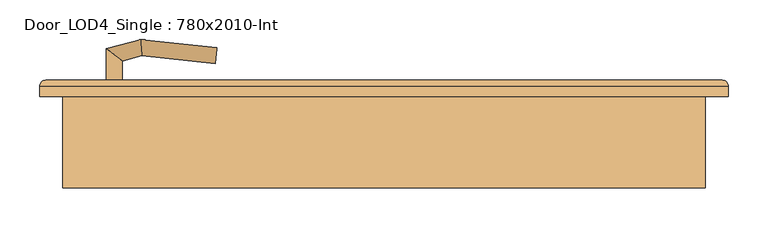
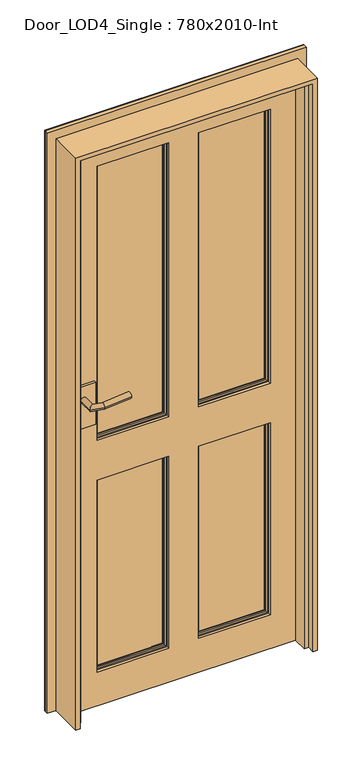
"""IFC4 building model written with IfcOpenShell, lengths in millimetres: door geometry, Door_LOD4_Single : 780x2010-Int."""

from ifc_helpers import new_model, si_unit, frame, origin, place, context, project, spatial, polyline, circle_curve, ellipse_curve, outline, extrude, faceted_brep, source, transform, mapped, element, save
from ifc_brep_helpers import plane_surface, cylinder_surface, advanced_brep


def door_lod4_single_780x2010_int_62c735e9(model_context):
    return source(origin(), model_context, "Body", "SolidModel", [
        advanced_brep(
        [(290.0, 27.5, 120.0), (290.0, 27.5, 800.0), (50.0, 27.5, 800.0), (50.0, 27.5, 120.0), (53.6443449, 27.5, 123.6443449), (53.6443449, 27.5, 796.3556551), (286.3556551, 27.5, 796.3556551), (286.3556551, 27.5, 123.6443449), (290.0, 47.5, 120.0), (50.0, 47.5, 120.0), (50.0, 47.5, 800.0), (290.0, 47.5, 800.0), (53.6443449, 47.5, 796.3556551), (53.6443449, 47.5, 123.6443449), (286.3556551, 47.5, 123.6443449), (286.3556551, 47.5, 796.3556551), (60.5, 39.8125, 789.5), (60.5, 39.8125, 130.5), (60.5, 42.8125, 130.5), (60.5, 42.8125, 789.5), (279.5, 39.8125, 130.5), (279.5, 42.8125, 130.5), (279.5, 39.8125, 789.5), (279.5, 42.8125, 789.5), (55.9375, 42.8125, 125.9375), (55.9375, 42.8125, 794.0625), (284.0625, 42.8125, 794.0625), (284.0625, 42.8125, 125.9375), (60.5, 32.1875, 789.5), (60.5, 32.1875, 130.5), (60.5, 35.1875, 130.5), (60.5, 35.1875, 789.5), (279.5, 32.1875, 130.5), (279.5, 35.1875, 130.5), (279.5, 32.1875, 789.5), (279.5, 35.1875, 789.5), (55.9375, 32.1875, 794.0625), (55.9375, 32.1875, 125.9375), (284.0625, 32.1875, 125.9375), (284.0625, 32.1875, 794.0625)],
        [
            (0, 1),
            (1, 2),
            (2, 3),
            (3, 0),
            (4, 5),
            (5, 6),
            (6, 7),
            (7, 4),
            (8, 9),
            (9, 10),
            (10, 11),
            (11, 8),
            (12, 13),
            (13, 14),
            (14, 15),
            (15, 12),
            (0, 8),
            (11, 1),
            (10, 2),
            (9, 3),
            (16, 17),
            (17, 18),
            (18, 19),
            (19, 16),
            (17, 20),
            (20, 21),
            (21, 18),
            (20, 22),
            (22, 23),
            (23, 21),
            (24, 25),
            (25, 26),
            (26, 27),
            (27, 24),
            (23, 19),
            (22, 16),
            (24, 13, ellipse_curve(frame((50.0, 42.8125, 120.0), z_axis=(-0.7071067811865475, 0.0, 0.7071067811865475), x_axis=(-0.7071067811865474, 0.0, -0.7071067811865476)), 8.396893, 5.9375)),
            (12, 25, ellipse_curve(frame((50.0, 42.8125, 800.0), z_axis=(-0.7071067811865475, 0.0, -0.7071067811865475), x_axis=(0.7071067811865474, 0.0, -0.7071067811865476)), 8.396893, 5.9375)),
            (27, 14, ellipse_curve(frame((290.0, 42.8125, 120.0), z_axis=(-0.7071067811865475, 0.0, -0.7071067811865475), x_axis=(0.7071067811865476, 0.0, -0.7071067811865474)), 8.396893, 5.9375)),
            (26, 15, ellipse_curve(frame((290.0, 42.8125, 800.0), z_axis=(0.7071067811865475, 0.0, -0.7071067811865475), x_axis=(0.7071067811865474, 0.0, 0.7071067811865476)), 8.396893, 5.9375)),
            (28, 29),
            (29, 30),
            (30, 31),
            (31, 28),
            (29, 32),
            (32, 33),
            (33, 30),
            (32, 34),
            (34, 35),
            (35, 33),
            (36, 37),
            (37, 38),
            (38, 39),
            (39, 36),
            (28, 34),
            (31, 35),
            (36, 5, ellipse_curve(frame((50.0, 32.1875, 800.0), z_axis=(-0.7071067811865475, 0.0, -0.7071067811865475), x_axis=(0.7071067811865474, 0.0, -0.7071067811865476)), 8.396893, 5.9375)),
            (4, 37, ellipse_curve(frame((50.0, 32.1875, 120.0), z_axis=(-0.7071067811865475, 0.0, 0.7071067811865475), x_axis=(-0.7071067811865474, 0.0, -0.7071067811865476)), 8.396893, 5.9375)),
            (7, 38, ellipse_curve(frame((290.0, 32.1875, 120.0), z_axis=(-0.7071067811865475, 0.0, -0.7071067811865475), x_axis=(0.7071067811865476, 0.0, -0.7071067811865474)), 8.396893, 5.9375)),
            (6, 39, ellipse_curve(frame((290.0, 32.1875, 800.0), z_axis=(0.7071067811865475, 0.0, -0.7071067811865475), x_axis=(0.7071067811865474, 0.0, 0.7071067811865476)), 8.396893, 5.9375)),
        ],
        [
            plane_surface(frame((290.0, 27.5, 120.0), z_axis=(0.0, -1.0, 0.0), x_axis=(0.0, 0.0, 1.0))),
            plane_surface(frame((290.0, 47.5, 120.0), z_axis=(0.0, 1.0, 0.0), x_axis=(0.0, 0.0, -1.0))),
            plane_surface(frame((290.0, 27.5, 120.0), z_axis=(1.0, 0.0, 0.0), x_axis=(0.0, 1.0, 0.0))),
            plane_surface(frame((290.0, 27.5, 800.0), z_axis=(0.0, 0.0, 1.0), x_axis=(0.0, 1.0, 0.0))),
            plane_surface(frame((50.0, 27.5, 800.0), z_axis=(-1.0, 0.0, 0.0), x_axis=(0.0, 1.0, 0.0))),
            plane_surface(frame((50.0, 27.5, 120.0), z_axis=(0.0, 0.0, -1.0), x_axis=(0.0, 1.0, 0.0))),
            plane_surface(frame((60.5, 42.8125, 789.5), z_axis=(1.0, 0.0, 0.0), x_axis=(0.0, 0.0, -1.0))),
            plane_surface(frame((60.5, 42.8125, 130.5), z_axis=(0.0, 0.0, 1.0), x_axis=(1.0, 0.0, 0.0))),
            plane_surface(frame((279.5, 42.8125, 130.5), z_axis=(-1.0, 0.0, 0.0), x_axis=(0.0, 0.0, 1.0))),
            plane_surface(frame((284.0625, 42.8125, 794.0625), z_axis=(0.0, 1.0, 0.0), x_axis=(-1.0, 0.0, 0.0))),
            plane_surface(frame((279.5, 42.8125, 789.5), z_axis=(0.0, 0.0, -1.0), x_axis=(-1.0, 0.0, 0.0))),
            plane_surface(frame((279.5, 39.8125, 789.5), z_axis=(0.0, 1.0, 0.0), x_axis=(-1.0, 0.0, 0.0))),
            cylinder_surface(frame((50.0, 42.8125, 800.0), z_axis=(0.0, 0.0, -1.0), x_axis=(-1.0, 0.0, 0.0)), 5.9375),
            cylinder_surface(frame((50.0, 42.8125, 120.0), z_axis=(1.0, 0.0, 0.0), x_axis=(0.0, 0.0, -1.0)), 5.9375),
            cylinder_surface(frame((290.0, 42.8125, 120.0), z_axis=(0.0, 0.0, 1.0), x_axis=(1.0, 0.0, 0.0)), 5.9375),
            cylinder_surface(frame((290.0, 42.8125, 800.0), z_axis=(-1.0, 0.0, 0.0), x_axis=(0.0, 0.0, 1.0)), 5.9375),
            plane_surface(frame((60.5, 35.1875, 789.5), z_axis=(1.0, 0.0, 0.0), x_axis=(0.0, 0.0, -1.0))),
            plane_surface(frame((60.5, 35.1875, 130.5), z_axis=(0.0, 0.0, 1.0), x_axis=(1.0, 0.0, 0.0))),
            plane_surface(frame((279.5, 35.1875, 130.5), z_axis=(-1.0, 0.0, 0.0), x_axis=(0.0, 0.0, 1.0))),
            plane_surface(frame((279.5, 32.1875, 789.5), z_axis=(0.0, -1.0, 0.0), x_axis=(-1.0, 0.0, 0.0))),
            plane_surface(frame((279.5, 35.1875, 789.5), z_axis=(0.0, 0.0, -1.0), x_axis=(-1.0, 0.0, 0.0))),
            plane_surface(frame((256.5442476, 35.1875, 766.5442476), z_axis=(0.0, -1.0, 0.0), x_axis=(-1.0, 0.0, 0.0))),
            cylinder_surface(frame((50.0, 32.1875, 800.0), z_axis=(0.0, 0.0, -1.0), x_axis=(1.0, 0.0, 0.0)), 5.9375),
            cylinder_surface(frame((50.0, 32.1875, 120.0), z_axis=(1.0, 0.0, 0.0), x_axis=(0.0, 0.0, 1.0)), 5.9375),
            cylinder_surface(frame((290.0, 32.1875, 120.0), z_axis=(0.0, 0.0, 1.0), x_axis=(-1.0, 0.0, 0.0)), 5.9375),
            cylinder_surface(frame((290.0, 32.1875, 800.0), z_axis=(-1.0, 0.0, 0.0), x_axis=(0.0, 0.0, -1.0)), 5.9375),
        ],
        [
            (0, [[1, 2, 3, 4], [5, 6, 7, 8]]),
            (1, [[9, 10, 11, 12], [13, 14, 15, 16]]),
            (2, [[-1, 17, -12, 18]]),
            (3, [[-2, -18, -11, 19]]),
            (4, [[-3, -19, -10, 20]]),
            (5, [[-4, -20, -9, -17]]),
            (6, [[21, 22, 23, 24]]),
            (7, [[-22, 25, 26, 27]]),
            (8, [[-26, 28, 29, 30]]),
            (9, [[31, 32, 33, 34], [-23, -27, -30, 35]]),
            (10, [[-24, -35, -29, 36]]),
            (11, [[-21, -36, -28, -25]]),
            (12, [[-31, 37, -13, 38]]),
            (13, [[-34, 39, -14, -37]]),
            (14, [[-33, 40, -15, -39]]),
            (15, [[-32, -38, -16, -40]]),
            (16, [[41, 42, 43, 44]]),
            (17, [[-42, 45, 46, 47]]),
            (18, [[-46, 48, 49, 50]]),
            (19, [[51, 52, 53, 54], [-41, 55, -48, -45]]),
            (20, [[-44, 56, -49, -55]]),
            (21, [[-43, -47, -50, -56]]),
            (22, [[-51, 57, -5, 58]]),
            (23, [[-52, -58, -8, 59]]),
            (24, [[-53, -59, -7, 60]]),
            (25, [[-54, -60, -6, -57]]),
        ],
    ),
        advanced_brep(
        [(-50.0, 27.5, 120.0), (-50.0, 27.5, 800.0), (-290.0, 27.5, 800.0), (-290.0, 27.5, 120.0), (-286.3556551, 27.5, 123.6443449), (-286.3556551, 27.5, 796.3556551), (-53.6443449, 27.5, 796.3556551), (-53.6443449, 27.5, 123.6443449), (-50.0, 47.5, 120.0), (-290.0, 47.5, 120.0), (-290.0, 47.5, 800.0), (-50.0, 47.5, 800.0), (-286.3556551, 47.5, 796.3556551), (-286.3556551, 47.5, 123.6443449), (-53.6443449, 47.5, 123.6443449), (-53.6443449, 47.5, 796.3556551), (-279.5, 39.8125, 789.5), (-279.5, 39.8125, 130.5), (-279.5, 42.8125, 130.5), (-279.5, 42.8125, 789.5), (-60.5, 39.8125, 130.5), (-60.5, 42.8125, 130.5), (-60.5, 39.8125, 789.5), (-60.5, 42.8125, 789.5), (-284.0625, 42.8125, 125.9375), (-284.0625, 42.8125, 794.0625), (-55.9375, 42.8125, 794.0625), (-55.9375, 42.8125, 125.9375), (-279.5, 32.1875, 789.5), (-279.5, 32.1875, 130.5), (-279.5, 35.1875, 130.5), (-279.5, 35.1875, 789.5), (-60.5, 32.1875, 130.5), (-60.5, 35.1875, 130.5), (-60.5, 32.1875, 789.5), (-60.5, 35.1875, 789.5), (-284.0625, 32.1875, 794.0625), (-284.0625, 32.1875, 125.9375), (-55.9375, 32.1875, 125.9375), (-55.9375, 32.1875, 794.0625)],
        [
            (0, 1),
            (1, 2),
            (2, 3),
            (3, 0),
            (4, 5),
            (5, 6),
            (6, 7),
            (7, 4),
            (8, 9),
            (9, 10),
            (10, 11),
            (11, 8),
            (12, 13),
            (13, 14),
            (14, 15),
            (15, 12),
            (0, 8),
            (11, 1),
            (10, 2),
            (9, 3),
            (16, 17),
            (17, 18),
            (18, 19),
            (19, 16),
            (17, 20),
            (20, 21),
            (21, 18),
            (20, 22),
            (22, 23),
            (23, 21),
            (24, 25),
            (25, 26),
            (26, 27),
            (27, 24),
            (23, 19),
            (22, 16),
            (24, 13, ellipse_curve(frame((-290.0, 42.8125, 120.0), z_axis=(-0.7071067811865475, 0.0, 0.7071067811865475), x_axis=(-0.7071067811865474, 0.0, -0.7071067811865476)), 8.396893, 5.9375)),
            (12, 25, ellipse_curve(frame((-290.0, 42.8125, 800.0), z_axis=(-0.7071067811865475, 0.0, -0.7071067811865475), x_axis=(0.7071067811865474, 0.0, -0.7071067811865476)), 8.396893, 5.9375)),
            (27, 14, ellipse_curve(frame((-50.0, 42.8125, 120.0), z_axis=(-0.7071067811865475, 0.0, -0.7071067811865475), x_axis=(0.7071067811865476, 0.0, -0.7071067811865474)), 8.396893, 5.9375)),
            (26, 15, ellipse_curve(frame((-50.0, 42.8125, 800.0), z_axis=(0.7071067811865475, 0.0, -0.7071067811865475), x_axis=(0.7071067811865474, 0.0, 0.7071067811865476)), 8.396893, 5.9375)),
            (28, 29),
            (29, 30),
            (30, 31),
            (31, 28),
            (29, 32),
            (32, 33),
            (33, 30),
            (32, 34),
            (34, 35),
            (35, 33),
            (36, 37),
            (37, 38),
            (38, 39),
            (39, 36),
            (28, 34),
            (31, 35),
            (36, 5, ellipse_curve(frame((-290.0, 32.1875, 800.0), z_axis=(-0.7071067811865475, 0.0, -0.7071067811865475), x_axis=(0.7071067811865474, 0.0, -0.7071067811865476)), 8.396893, 5.9375)),
            (4, 37, ellipse_curve(frame((-290.0, 32.1875, 120.0), z_axis=(-0.7071067811865475, 0.0, 0.7071067811865475), x_axis=(-0.7071067811865474, 0.0, -0.7071067811865476)), 8.396893, 5.9375)),
            (7, 38, ellipse_curve(frame((-50.0, 32.1875, 120.0), z_axis=(-0.7071067811865475, 0.0, -0.7071067811865475), x_axis=(0.7071067811865476, 0.0, -0.7071067811865474)), 8.396893, 5.9375)),
            (6, 39, ellipse_curve(frame((-50.0, 32.1875, 800.0), z_axis=(0.7071067811865475, 0.0, -0.7071067811865475), x_axis=(0.7071067811865474, 0.0, 0.7071067811865476)), 8.396893, 5.9375)),
        ],
        [
            plane_surface(frame((-50.0, 27.5, 120.0), z_axis=(0.0, -1.0, 0.0), x_axis=(0.0, 0.0, 1.0))),
            plane_surface(frame((-50.0, 47.5, 120.0), z_axis=(0.0, 1.0, 0.0), x_axis=(0.0, 0.0, -1.0))),
            plane_surface(frame((-50.0, 27.5, 120.0), z_axis=(1.0, 0.0, 0.0), x_axis=(0.0, 1.0, 0.0))),
            plane_surface(frame((-50.0, 27.5, 800.0), z_axis=(0.0, 0.0, 1.0), x_axis=(0.0, 1.0, 0.0))),
            plane_surface(frame((-290.0, 27.5, 800.0), z_axis=(-1.0, 0.0, 0.0), x_axis=(0.0, 1.0, 0.0))),
            plane_surface(frame((-290.0, 27.5, 120.0), z_axis=(0.0, 0.0, -1.0), x_axis=(0.0, 1.0, 0.0))),
            plane_surface(frame((-279.5, 42.8125, 789.5), z_axis=(1.0, 0.0, 0.0), x_axis=(0.0, 0.0, -1.0))),
            plane_surface(frame((-279.5, 42.8125, 130.5), z_axis=(0.0, 0.0, 1.0), x_axis=(1.0, 0.0, 0.0))),
            plane_surface(frame((-60.5, 42.8125, 130.5), z_axis=(-1.0, 0.0, 0.0), x_axis=(0.0, 0.0, 1.0))),
            plane_surface(frame((-55.9375, 42.8125, 794.0625), z_axis=(0.0, 1.0, 0.0), x_axis=(-1.0, 0.0, 0.0))),
            plane_surface(frame((-60.5, 42.8125, 789.5), z_axis=(0.0, 0.0, -1.0), x_axis=(-1.0, 0.0, 0.0))),
            plane_surface(frame((-60.5, 39.8125, 789.5), z_axis=(0.0, 1.0, 0.0), x_axis=(-1.0, 0.0, 0.0))),
            cylinder_surface(frame((-290.0, 42.8125, 800.0), z_axis=(0.0, 0.0, -1.0), x_axis=(-1.0, 0.0, 0.0)), 5.9375),
            cylinder_surface(frame((-290.0, 42.8125, 120.0), z_axis=(1.0, 0.0, 0.0), x_axis=(0.0, 0.0, -1.0)), 5.9375),
            cylinder_surface(frame((-50.0, 42.8125, 120.0), z_axis=(0.0, 0.0, 1.0), x_axis=(1.0, 0.0, 0.0)), 5.9375),
            cylinder_surface(frame((-50.0, 42.8125, 800.0), z_axis=(-1.0, 0.0, 0.0), x_axis=(0.0, 0.0, 1.0)), 5.9375),
            plane_surface(frame((-279.5, 35.1875, 789.5), z_axis=(1.0, 0.0, 0.0), x_axis=(0.0, 0.0, -1.0))),
            plane_surface(frame((-279.5, 35.1875, 130.5), z_axis=(0.0, 0.0, 1.0), x_axis=(1.0, 0.0, 0.0))),
            plane_surface(frame((-60.5, 35.1875, 130.5), z_axis=(-1.0, 0.0, 0.0), x_axis=(0.0, 0.0, 1.0))),
            plane_surface(frame((-60.5, 32.1875, 789.5), z_axis=(0.0, -1.0, 0.0), x_axis=(-1.0, 0.0, 0.0))),
            plane_surface(frame((-60.5, 35.1875, 789.5), z_axis=(0.0, 0.0, -1.0), x_axis=(-1.0, 0.0, 0.0))),
            plane_surface(frame((-83.4557524, 35.1875, 766.5442476), z_axis=(0.0, -1.0, 0.0), x_axis=(-1.0, 0.0, 0.0))),
            cylinder_surface(frame((-290.0, 32.1875, 800.0), z_axis=(0.0, 0.0, -1.0), x_axis=(1.0, 0.0, 0.0)), 5.9375),
            cylinder_surface(frame((-290.0, 32.1875, 120.0), z_axis=(1.0, 0.0, 0.0), x_axis=(0.0, 0.0, 1.0)), 5.9375),
            cylinder_surface(frame((-50.0, 32.1875, 120.0), z_axis=(0.0, 0.0, 1.0), x_axis=(-1.0, 0.0, 0.0)), 5.9375),
            cylinder_surface(frame((-50.0, 32.1875, 800.0), z_axis=(-1.0, 0.0, 0.0), x_axis=(0.0, 0.0, -1.0)), 5.9375),
        ],
        [
            (0, [[1, 2, 3, 4], [5, 6, 7, 8]]),
            (1, [[9, 10, 11, 12], [13, 14, 15, 16]]),
            (2, [[-1, 17, -12, 18]]),
            (3, [[-2, -18, -11, 19]]),
            (4, [[-3, -19, -10, 20]]),
            (5, [[-4, -20, -9, -17]]),
            (6, [[21, 22, 23, 24]]),
            (7, [[-22, 25, 26, 27]]),
            (8, [[-26, 28, 29, 30]]),
            (9, [[31, 32, 33, 34], [-23, -27, -30, 35]]),
            (10, [[-24, -35, -29, 36]]),
            (11, [[-21, -36, -28, -25]]),
            (12, [[-31, 37, -13, 38]]),
            (13, [[-34, 39, -14, -37]]),
            (14, [[-33, 40, -15, -39]]),
            (15, [[-32, -38, -16, -40]]),
            (16, [[41, 42, 43, 44]]),
            (17, [[-42, 45, 46, 47]]),
            (18, [[-46, 48, 49, 50]]),
            (19, [[51, 52, 53, 54], [-41, 55, -48, -45]]),
            (20, [[-44, 56, -49, -55]]),
            (21, [[-43, -47, -50, -56]]),
            (22, [[-51, 57, -5, 58]]),
            (23, [[-52, -58, -8, 59]]),
            (24, [[-53, -59, -7, 60]]),
            (25, [[-54, -60, -6, -57]]),
        ],
    ),
        advanced_brep(
        [(290.0, 27.5, 940.0), (290.0, 27.5, 1910.0000805), (50.0, 27.5, 1910.0000805), (50.0, 27.5, 940.0), (53.6443449, 27.5, 943.6443449), (53.6443449, 27.5, 1906.3557356), (286.3556551, 27.5, 1906.3557356), (286.3556551, 27.5, 943.6443449), (290.0, 47.5, 940.0), (50.0, 47.5, 940.0), (50.0, 47.5, 1910.0000805), (290.0, 47.5, 1910.0000805), (53.6443449, 47.5, 1906.3557356), (53.6443449, 47.5, 943.6443449), (286.3556551, 47.5, 943.6443449), (286.3556551, 47.5, 1906.3557356), (60.5, 39.8125, 1899.5000805), (60.5, 39.8125, 950.5), (60.5, 42.8125, 950.5), (60.5, 42.8125, 1899.5000805), (279.5, 39.8125, 950.5), (279.5, 42.8125, 950.5), (279.5, 39.8125, 1899.5000805), (279.5, 42.8125, 1899.5000805), (55.9375, 42.8125, 945.9375), (55.9375, 42.8125, 1904.0625805), (284.0625, 42.8125, 1904.0625805), (284.0625, 42.8125, 945.9375), (60.5, 32.1875, 1899.5000805), (60.5, 32.1875, 950.5), (60.5, 35.1875, 950.5), (60.5, 35.1875, 1899.5000805), (279.5, 32.1875, 950.5), (279.5, 35.1875, 950.5), (279.5, 32.1875, 1899.5000805), (279.5, 35.1875, 1899.5000805), (55.9375, 32.1875, 1904.0625805), (55.9375, 32.1875, 945.9375), (284.0625, 32.1875, 945.9375), (284.0625, 32.1875, 1904.0625805)],
        [
            (0, 1),
            (1, 2),
            (2, 3),
            (3, 0),
            (4, 5),
            (5, 6),
            (6, 7),
            (7, 4),
            (8, 9),
            (9, 10),
            (10, 11),
            (11, 8),
            (12, 13),
            (13, 14),
            (14, 15),
            (15, 12),
            (0, 8),
            (11, 1),
            (10, 2),
            (9, 3),
            (16, 17),
            (17, 18),
            (18, 19),
            (19, 16),
            (17, 20),
            (20, 21),
            (21, 18),
            (20, 22),
            (22, 23),
            (23, 21),
            (24, 25),
            (25, 26),
            (26, 27),
            (27, 24),
            (23, 19),
            (22, 16),
            (24, 13, ellipse_curve(frame((50.0, 42.8125, 940.0), z_axis=(-0.7071067811865475, 0.0, 0.7071067811865475), x_axis=(-0.7071067811865474, 0.0, -0.7071067811865476)), 8.396893, 5.9375)),
            (12, 25, ellipse_curve(frame((50.0, 42.8125, 1910.0000805), z_axis=(-0.7071067811865475, 0.0, -0.7071067811865475), x_axis=(0.7071067811865474, 0.0, -0.7071067811865476)), 8.396893, 5.9375)),
            (27, 14, ellipse_curve(frame((290.0, 42.8125, 940.0), z_axis=(-0.7071067811865475, 0.0, -0.7071067811865475), x_axis=(0.7071067811865476, 0.0, -0.7071067811865474)), 8.396893, 5.9375)),
            (26, 15, ellipse_curve(frame((290.0, 42.8125, 1910.0000805), z_axis=(0.7071067811865475, 0.0, -0.7071067811865475), x_axis=(0.7071067811865474, 0.0, 0.7071067811865476)), 8.396893, 5.9375)),
            (28, 29),
            (29, 30),
            (30, 31),
            (31, 28),
            (29, 32),
            (32, 33),
            (33, 30),
            (32, 34),
            (34, 35),
            (35, 33),
            (36, 37),
            (37, 38),
            (38, 39),
            (39, 36),
            (28, 34),
            (31, 35),
            (36, 5, ellipse_curve(frame((50.0, 32.1875, 1910.0000805), z_axis=(-0.7071067811865475, 0.0, -0.7071067811865475), x_axis=(0.7071067811865474, 0.0, -0.7071067811865476)), 8.396893, 5.9375)),
            (4, 37, ellipse_curve(frame((50.0, 32.1875, 940.0), z_axis=(-0.7071067811865475, 0.0, 0.7071067811865475), x_axis=(-0.7071067811865474, 0.0, -0.7071067811865476)), 8.396893, 5.9375)),
            (7, 38, ellipse_curve(frame((290.0, 32.1875, 940.0), z_axis=(-0.7071067811865475, 0.0, -0.7071067811865475), x_axis=(0.7071067811865476, 0.0, -0.7071067811865474)), 8.396893, 5.9375)),
            (6, 39, ellipse_curve(frame((290.0, 32.1875, 1910.0000805), z_axis=(0.7071067811865475, 0.0, -0.7071067811865475), x_axis=(0.7071067811865474, 0.0, 0.7071067811865476)), 8.396893, 5.9375)),
        ],
        [
            plane_surface(frame((290.0, 27.5, 940.0), z_axis=(0.0, -1.0, 0.0), x_axis=(0.0, 0.0, 1.0))),
            plane_surface(frame((290.0, 47.5, 940.0), z_axis=(0.0, 1.0, 0.0), x_axis=(0.0, 0.0, -1.0))),
            plane_surface(frame((290.0, 27.5, 940.0), z_axis=(1.0, 0.0, 0.0), x_axis=(0.0, 1.0, 0.0))),
            plane_surface(frame((290.0, 27.5, 1910.0000805), z_axis=(0.0, 0.0, 1.0), x_axis=(0.0, 1.0, 0.0))),
            plane_surface(frame((50.0, 27.5, 1910.0000805), z_axis=(-1.0, 0.0, 0.0), x_axis=(0.0, 1.0, 0.0))),
            plane_surface(frame((50.0, 27.5, 940.0), z_axis=(0.0, 0.0, -1.0), x_axis=(0.0, 1.0, 0.0))),
            plane_surface(frame((60.5, 42.8125, 1899.5000805), z_axis=(1.0, 0.0, 0.0), x_axis=(0.0, 0.0, -1.0))),
            plane_surface(frame((60.5, 42.8125, 950.5), z_axis=(0.0, 0.0, 1.0), x_axis=(1.0, 0.0, 0.0))),
            plane_surface(frame((279.5, 42.8125, 950.5), z_axis=(-1.0, 0.0, 0.0), x_axis=(0.0, 0.0, 1.0))),
            plane_surface(frame((284.0625, 42.8125, 1904.0625805), z_axis=(0.0, 1.0, 0.0), x_axis=(-1.0, 0.0, 0.0))),
            plane_surface(frame((279.5, 42.8125, 1899.5000805), z_axis=(0.0, 0.0, -1.0), x_axis=(-1.0, 0.0, 0.0))),
            plane_surface(frame((279.5, 39.8125, 1899.5000805), z_axis=(0.0, 1.0, 0.0), x_axis=(-1.0, 0.0, 0.0))),
            cylinder_surface(frame((50.0, 42.8125, 1910.0000805), z_axis=(0.0, 0.0, -1.0), x_axis=(-1.0, 0.0, 0.0)), 5.9375),
            cylinder_surface(frame((50.0, 42.8125, 940.0), z_axis=(1.0, 0.0, 0.0), x_axis=(0.0, 0.0, -1.0)), 5.9375),
            cylinder_surface(frame((290.0, 42.8125, 940.0), z_axis=(0.0, 0.0, 1.0), x_axis=(1.0, 0.0, 0.0)), 5.9375),
            cylinder_surface(frame((290.0, 42.8125, 1910.0000805), z_axis=(-1.0, 0.0, 0.0), x_axis=(0.0, 0.0, 1.0)), 5.9375),
            plane_surface(frame((60.5, 35.1875, 1899.5000805), z_axis=(1.0, 0.0, 0.0), x_axis=(0.0, 0.0, -1.0))),
            plane_surface(frame((60.5, 35.1875, 950.5), z_axis=(0.0, 0.0, 1.0), x_axis=(1.0, 0.0, 0.0))),
            plane_surface(frame((279.5, 35.1875, 950.5), z_axis=(-1.0, 0.0, 0.0), x_axis=(0.0, 0.0, 1.0))),
            plane_surface(frame((279.5, 32.1875, 1899.5000805), z_axis=(0.0, -1.0, 0.0), x_axis=(-1.0, 0.0, 0.0))),
            plane_surface(frame((279.5, 35.1875, 1899.5000805), z_axis=(0.0, 0.0, -1.0), x_axis=(-1.0, 0.0, 0.0))),
            plane_surface(frame((256.5442476, 35.1875, 1876.5443281), z_axis=(0.0, -1.0, 0.0), x_axis=(-1.0, 0.0, 0.0))),
            cylinder_surface(frame((50.0, 32.1875, 1910.0000805), z_axis=(0.0, 0.0, -1.0), x_axis=(1.0, 0.0, 0.0)), 5.9375),
            cylinder_surface(frame((50.0, 32.1875, 940.0), z_axis=(1.0, 0.0, 0.0), x_axis=(0.0, 0.0, 1.0)), 5.9375),
            cylinder_surface(frame((290.0, 32.1875, 940.0), z_axis=(0.0, 0.0, 1.0), x_axis=(-1.0, 0.0, 0.0)), 5.9375),
            cylinder_surface(frame((290.0, 32.1875, 1910.0000805), z_axis=(-1.0, 0.0, 0.0), x_axis=(0.0, 0.0, -1.0)), 5.9375),
        ],
        [
            (0, [[1, 2, 3, 4], [5, 6, 7, 8]]),
            (1, [[9, 10, 11, 12], [13, 14, 15, 16]]),
            (2, [[-1, 17, -12, 18]]),
            (3, [[-2, -18, -11, 19]]),
            (4, [[-3, -19, -10, 20]]),
            (5, [[-4, -20, -9, -17]]),
            (6, [[21, 22, 23, 24]]),
            (7, [[-22, 25, 26, 27]]),
            (8, [[-26, 28, 29, 30]]),
            (9, [[31, 32, 33, 34], [-23, -27, -30, 35]]),
            (10, [[-24, -35, -29, 36]]),
            (11, [[-21, -36, -28, -25]]),
            (12, [[-31, 37, -13, 38]]),
            (13, [[-34, 39, -14, -37]]),
            (14, [[-33, 40, -15, -39]]),
            (15, [[-32, -38, -16, -40]]),
            (16, [[41, 42, 43, 44]]),
            (17, [[-42, 45, 46, 47]]),
            (18, [[-46, 48, 49, 50]]),
            (19, [[51, 52, 53, 54], [-41, 55, -48, -45]]),
            (20, [[-44, 56, -49, -55]]),
            (21, [[-43, -47, -50, -56]]),
            (22, [[-51, 57, -5, 58]]),
            (23, [[-52, -58, -8, 59]]),
            (24, [[-53, -59, -7, 60]]),
            (25, [[-54, -60, -6, -57]]),
        ],
    ),
        advanced_brep(
        [(-50.0, 27.5, 940.0), (-50.0, 27.5, 1910.0000805), (-290.0, 27.5, 1910.0000805), (-290.0, 27.5, 940.0), (-286.3556551, 27.5, 943.6443449), (-286.3556551, 27.5, 1906.3557356), (-53.6443449, 27.5, 1906.3557356), (-53.6443449, 27.5, 943.6443449), (-50.0, 47.5, 940.0), (-290.0, 47.5, 940.0), (-290.0, 47.5, 1910.0000805), (-50.0, 47.5, 1910.0000805), (-286.3556551, 47.5, 1906.3557356), (-286.3556551, 47.5, 943.6443449), (-53.6443449, 47.5, 943.6443449), (-53.6443449, 47.5, 1906.3557356), (-279.5, 39.8125, 1899.5000805), (-279.5, 39.8125, 950.5), (-279.5, 42.8125, 950.5), (-279.5, 42.8125, 1899.5000805), (-60.5, 39.8125, 950.5), (-60.5, 42.8125, 950.5), (-60.5, 39.8125, 1899.5000805), (-60.5, 42.8125, 1899.5000805), (-284.0625, 42.8125, 945.9375), (-284.0625, 42.8125, 1904.0625805), (-55.9375, 42.8125, 1904.0625805), (-55.9375, 42.8125, 945.9375), (-279.5, 32.1875, 1899.5000805), (-279.5, 32.1875, 950.5), (-279.5, 35.1875, 950.5), (-279.5, 35.1875, 1899.5000805), (-60.5, 32.1875, 950.5), (-60.5, 35.1875, 950.5), (-60.5, 32.1875, 1899.5000805), (-60.5, 35.1875, 1899.5000805), (-284.0625, 32.1875, 1904.0625805), (-284.0625, 32.1875, 945.9375), (-55.9375, 32.1875, 945.9375), (-55.9375, 32.1875, 1904.0625805)],
        [
            (0, 1),
            (1, 2),
            (2, 3),
            (3, 0),
            (4, 5),
            (5, 6),
            (6, 7),
            (7, 4),
            (8, 9),
            (9, 10),
            (10, 11),
            (11, 8),
            (12, 13),
            (13, 14),
            (14, 15),
            (15, 12),
            (0, 8),
            (11, 1),
            (10, 2),
            (9, 3),
            (16, 17),
            (17, 18),
            (18, 19),
            (19, 16),
            (17, 20),
            (20, 21),
            (21, 18),
            (20, 22),
            (22, 23),
            (23, 21),
            (24, 25),
            (25, 26),
            (26, 27),
            (27, 24),
            (23, 19),
            (22, 16),
            (24, 13, ellipse_curve(frame((-290.0, 42.8125, 940.0), z_axis=(-0.7071067811865475, 0.0, 0.7071067811865475), x_axis=(-0.7071067811865474, 0.0, -0.7071067811865476)), 8.396893, 5.9375)),
            (12, 25, ellipse_curve(frame((-290.0, 42.8125, 1910.0000805), z_axis=(-0.7071067811865475, 0.0, -0.7071067811865475), x_axis=(0.7071067811865474, 0.0, -0.7071067811865476)), 8.396893, 5.9375)),
            (27, 14, ellipse_curve(frame((-50.0, 42.8125, 940.0), z_axis=(-0.7071067811865475, 0.0, -0.7071067811865475), x_axis=(0.7071067811865476, 0.0, -0.7071067811865474)), 8.396893, 5.9375)),
            (26, 15, ellipse_curve(frame((-50.0, 42.8125, 1910.0000805), z_axis=(0.7071067811865475, 0.0, -0.7071067811865475), x_axis=(0.7071067811865474, 0.0, 0.7071067811865476)), 8.396893, 5.9375)),
            (28, 29),
            (29, 30),
            (30, 31),
            (31, 28),
            (29, 32),
            (32, 33),
            (33, 30),
            (32, 34),
            (34, 35),
            (35, 33),
            (36, 37),
            (37, 38),
            (38, 39),
            (39, 36),
            (28, 34),
            (31, 35),
            (36, 5, ellipse_curve(frame((-290.0, 32.1875, 1910.0000805), z_axis=(-0.7071067811865475, 0.0, -0.7071067811865475), x_axis=(0.7071067811865474, 0.0, -0.7071067811865476)), 8.396893, 5.9375)),
            (4, 37, ellipse_curve(frame((-290.0, 32.1875, 940.0), z_axis=(-0.7071067811865475, 0.0, 0.7071067811865475), x_axis=(-0.7071067811865474, 0.0, -0.7071067811865476)), 8.396893, 5.9375)),
            (7, 38, ellipse_curve(frame((-50.0, 32.1875, 940.0), z_axis=(-0.7071067811865475, 0.0, -0.7071067811865475), x_axis=(0.7071067811865476, 0.0, -0.7071067811865474)), 8.396893, 5.9375)),
            (6, 39, ellipse_curve(frame((-50.0, 32.1875, 1910.0000805), z_axis=(0.7071067811865475, 0.0, -0.7071067811865475), x_axis=(0.7071067811865474, 0.0, 0.7071067811865476)), 8.396893, 5.9375)),
        ],
        [
            plane_surface(frame((-50.0, 27.5, 940.0), z_axis=(0.0, -1.0, 0.0), x_axis=(0.0, 0.0, 1.0))),
            plane_surface(frame((-50.0, 47.5, 940.0), z_axis=(0.0, 1.0, 0.0), x_axis=(0.0, 0.0, -1.0))),
            plane_surface(frame((-50.0, 27.5, 940.0), z_axis=(1.0, 0.0, 0.0), x_axis=(0.0, 1.0, 0.0))),
            plane_surface(frame((-50.0, 27.5, 1910.0000805), z_axis=(0.0, 0.0, 1.0), x_axis=(0.0, 1.0, 0.0))),
            plane_surface(frame((-290.0, 27.5, 1910.0000805), z_axis=(-1.0, 0.0, 0.0), x_axis=(0.0, 1.0, 0.0))),
            plane_surface(frame((-290.0, 27.5, 940.0), z_axis=(0.0, 0.0, -1.0), x_axis=(0.0, 1.0, 0.0))),
            plane_surface(frame((-279.5, 42.8125, 1899.5000805), z_axis=(1.0, 0.0, 0.0), x_axis=(0.0, 0.0, -1.0))),
            plane_surface(frame((-279.5, 42.8125, 950.5), z_axis=(0.0, 0.0, 1.0), x_axis=(1.0, 0.0, 0.0))),
            plane_surface(frame((-60.5, 42.8125, 950.5), z_axis=(-1.0, 0.0, 0.0), x_axis=(0.0, 0.0, 1.0))),
            plane_surface(frame((-55.9375, 42.8125, 1904.0625805), z_axis=(0.0, 1.0, 0.0), x_axis=(-1.0, 0.0, 0.0))),
            plane_surface(frame((-60.5, 42.8125, 1899.5000805), z_axis=(0.0, 0.0, -1.0), x_axis=(-1.0, 0.0, 0.0))),
            plane_surface(frame((-60.5, 39.8125, 1899.5000805), z_axis=(0.0, 1.0, 0.0), x_axis=(-1.0, 0.0, 0.0))),
            cylinder_surface(frame((-290.0, 42.8125, 1910.0000805), z_axis=(0.0, 0.0, -1.0), x_axis=(-1.0, 0.0, 0.0)), 5.9375),
            cylinder_surface(frame((-290.0, 42.8125, 940.0), z_axis=(1.0, 0.0, 0.0), x_axis=(0.0, 0.0, -1.0)), 5.9375),
            cylinder_surface(frame((-50.0, 42.8125, 940.0), z_axis=(0.0, 0.0, 1.0), x_axis=(1.0, 0.0, 0.0)), 5.9375),
            cylinder_surface(frame((-50.0, 42.8125, 1910.0000805), z_axis=(-1.0, 0.0, 0.0), x_axis=(0.0, 0.0, 1.0)), 5.9375),
            plane_surface(frame((-279.5, 35.1875, 1899.5000805), z_axis=(1.0, 0.0, 0.0), x_axis=(0.0, 0.0, -1.0))),
            plane_surface(frame((-279.5, 35.1875, 950.5), z_axis=(0.0, 0.0, 1.0), x_axis=(1.0, 0.0, 0.0))),
            plane_surface(frame((-60.5, 35.1875, 950.5), z_axis=(-1.0, 0.0, 0.0), x_axis=(0.0, 0.0, 1.0))),
            plane_surface(frame((-60.5, 32.1875, 1899.5000805), z_axis=(0.0, -1.0, 0.0), x_axis=(-1.0, 0.0, 0.0))),
            plane_surface(frame((-60.5, 35.1875, 1899.5000805), z_axis=(0.0, 0.0, -1.0), x_axis=(-1.0, 0.0, 0.0))),
            plane_surface(frame((-83.4557524, 35.1875, 1876.5443281), z_axis=(0.0, -1.0, 0.0), x_axis=(-1.0, 0.0, 0.0))),
            cylinder_surface(frame((-290.0, 32.1875, 1910.0000805), z_axis=(0.0, 0.0, -1.0), x_axis=(1.0, 0.0, 0.0)), 5.9375),
            cylinder_surface(frame((-290.0, 32.1875, 940.0), z_axis=(1.0, 0.0, 0.0), x_axis=(0.0, 0.0, 1.0)), 5.9375),
            cylinder_surface(frame((-50.0, 32.1875, 940.0), z_axis=(0.0, 0.0, 1.0), x_axis=(-1.0, 0.0, 0.0)), 5.9375),
            cylinder_surface(frame((-50.0, 32.1875, 1910.0000805), z_axis=(-1.0, 0.0, 0.0), x_axis=(0.0, 0.0, -1.0)), 5.9375),
        ],
        [
            (0, [[1, 2, 3, 4], [5, 6, 7, 8]]),
            (1, [[9, 10, 11, 12], [13, 14, 15, 16]]),
            (2, [[-1, 17, -12, 18]]),
            (3, [[-2, -18, -11, 19]]),
            (4, [[-3, -19, -10, 20]]),
            (5, [[-4, -20, -9, -17]]),
            (6, [[21, 22, 23, 24]]),
            (7, [[-22, 25, 26, 27]]),
            (8, [[-26, 28, 29, 30]]),
            (9, [[31, 32, 33, 34], [-23, -27, -30, 35]]),
            (10, [[-24, -35, -29, 36]]),
            (11, [[-21, -36, -28, -25]]),
            (12, [[-31, 37, -13, 38]]),
            (13, [[-34, 39, -14, -37]]),
            (14, [[-33, 40, -15, -39]]),
            (15, [[-32, -38, -16, -40]]),
            (16, [[41, 42, 43, 44]]),
            (17, [[-42, 45, 46, 47]]),
            (18, [[-46, 48, 49, 50]]),
            (19, [[51, 52, 53, 54], [-41, 55, -48, -45]]),
            (20, [[-44, 56, -49, -55]]),
            (21, [[-43, -47, -50, -56]]),
            (22, [[-51, 57, -5, 58]]),
            (23, [[-52, -58, -8, 59]]),
            (24, [[-53, -59, -7, 60]]),
            (25, [[-54, -60, -6, -57]]),
        ],
    ),
        extrude(outline(polyline([(2010.0000805, -390.0), (0.0, -390.0), (0.0, 390.0), (2010.0000805, 390.0), (2010.0000805, -390.0)]), holes=[polyline([(800.0, 290.0), (120.0, 290.0), (120.0, 50.0), (800.0, 50.0), (800.0, 290.0)]), polyline([(1910.0000805, 290.0), (940.0, 290.0), (940.0, 50.0), (1910.0000805, 50.0), (1910.0000805, 290.0)]), polyline([(1910.0000805, -50.0), (940.0, -50.0), (940.0, -290.0), (1910.0000805, -290.0), (1910.0000805, -50.0)]), polyline([(800.0, -50.0), (120.0, -50.0), (120.0, -290.0), (800.0, -290.0), (800.0, -50.0)])]), frame((0.0, 17.5, 0.0), z_axis=(0.0, 1.0, 0.0), x_axis=(0.0, 0.0, 1.0)), (0.0, 0.0, 1.0), 40.0),
        advanced_brep(
        [(-350.0, 9.5, 1105.0000402), (-330.0, 9.5, 1105.0000402), (-330.0, -27.8267301, 1105.0000402), (-350.0, -43.1732699, 1105.0000402), (-305.3947841, -34.4196778, 1105.0000402), (-306.9904081, -54.6976553, 1105.0000402), (-210.6930557, -44.5736521, 1105.0000402), (-212.7841855, -24.6832731, 1105.0000402)],
        [
            (0, 1, circle_curve(frame((-340.0, 9.5, 1105.0000402), z_axis=(0.0, 1.0, 0.0), x_axis=(1.0, 0.0, 0.0)), 10.0)),
            (1, 0, circle_curve(frame((-340.0, 9.5, 1105.0000402), z_axis=(0.0, 1.0, 0.0), x_axis=(1.0, 0.0, 0.0)), 10.0)),
            (1, 2),
            (2, 3, ellipse_curve(frame((-340.0, -35.5, 1105.0000402), z_axis=(-0.6087614290087403, 0.79335334029122, 0.0), x_axis=(0.7933533402912198, 0.6087614290087406, 0.0)), 12.6047241, 10.0)),
            (3, 0),
            (3, 2, ellipse_curve(frame((-340.0, -35.5, 1105.0000402), z_axis=(-0.6087614290087403, 0.79335334029122, 0.0), x_axis=(0.7933533402912198, 0.6087614290087406, 0.0)), 12.6047241, 10.0)),
            (2, 4),
            (4, 5, ellipse_curve(frame((-306.1925961, -44.5586666, 1105.0000402), z_axis=(-0.9969184391323764, 0.07844504903348702, 0.0), x_axis=(0.07844504903348593, 0.9969184391323765, 0.0)), 10.1703292, 10.0)),
            (5, 3),
            (5, 4, ellipse_curve(frame((-306.1925961, -44.5586666, 1105.0000402), z_axis=(-0.9969184391323764, 0.07844504903348702, 0.0), x_axis=(0.07844504903348593, 0.9969184391323765, 0.0)), 10.1703292, 10.0)),
            (6, 7, circle_curve(frame((-211.7386206, -34.6284626, 1105.0000402), z_axis=(0.9945189493358518, 0.10455648909519343, 0.0), x_axis=(-0.10455648909519343, 0.9945189493358518, 0.0)), 10.0)),
            (7, 6, circle_curve(frame((-211.7386206, -34.6284626, 1105.0000402), z_axis=(0.9945189493358518, 0.10455648909519343, 0.0), x_axis=(-0.10455648909519343, 0.9945189493358518, 0.0)), 10.0)),
            (4, 7),
            (6, 5),
        ],
        [
            plane_surface(frame((-340.0, 9.5, 1105.0000402), z_axis=(0.0, 1.0, 0.0), x_axis=(0.0, 0.0, 1.0))),
            cylinder_surface(frame((-340.0, 9.5, 1105.0000402), z_axis=(0.0, 1.0, 0.0), x_axis=(1.0, 0.0, 0.0)), 10.0),
            cylinder_surface(frame((-340.0, -35.5, 1105.0000402), z_axis=(-0.965925826289083, 0.2588190451024665, 0.0), x_axis=(0.2588190451024665, 0.965925826289083, 0.0)), 10.0),
            plane_surface(frame((-211.7386206, -34.6284626, 1105.0000402), z_axis=(0.9945189493358518, 0.10455648909519348, 0.0), x_axis=(0.0, 0.0, 1.0))),
            cylinder_surface(frame((-306.1925961, -44.5586666, 1105.0000402), z_axis=(-0.9945189493358518, -0.10455648909519343, 0.0), x_axis=(-0.10455648909519343, 0.9945189493358518, 0.0)), 10.0),
        ],
        [
            (0, [[1, 2]]),
            (1, [[3, 4, 5, -2]]),
            (1, [[-5, 6, -3, -1]]),
            (2, [[7, 8, 9, -4]]),
            (2, [[-9, 10, -7, -6]]),
            (3, [[11, 12]]),
            (4, [[13, -11, 14, -8]]),
            (4, [[-14, -12, -13, -10]]),
        ],
    ),
        extrude(outline(polyline([(-380.0, 9.5), (-380.0, 17.5), (-300.0, 17.5), (-300.0, 9.5), (-380.0, 9.5)])), frame((0.0, 0.0, 1005.0000402), z_axis=(0.0, 0.0, 1.0), x_axis=(1.0, 0.0, 0.0)), (0.0, 0.0, 1.0), 150.0),
        advanced_brep(
        [(-350.0, 65.5, 1105.0000402), (-330.0, 65.5, 1105.0000402), (-350.0, 118.1732699, 1105.0000402), (-330.0, 102.8267301, 1105.0000402), (-306.9904081, 129.6976553, 1105.0000402), (-305.3947841, 109.4196778, 1105.0000402), (-210.6930557, 119.5736521, 1105.0000402), (-212.7841855, 99.6832731, 1105.0000402)],
        [
            (0, 1, circle_curve(frame((-340.0, 65.5, 1105.0000402), z_axis=(0.0, -1.0, 0.0), x_axis=(1.0, 0.0, 0.0)), 10.0)),
            (1, 0, circle_curve(frame((-340.0, 65.5, 1105.0000402), z_axis=(0.0, -1.0, 0.0), x_axis=(1.0, 0.0, 0.0)), 10.0)),
            (0, 2),
            (2, 3, ellipse_curve(frame((-340.0, 110.5, 1105.0000402), z_axis=(-0.6087614290087454, -0.793353340291216, 0.0), x_axis=(0.793353340291216, -0.6087614290087459, 0.0)), 12.6047241, 10.0)),
            (3, 1),
            (3, 2, ellipse_curve(frame((-340.0, 110.5, 1105.0000402), z_axis=(-0.6087614290087454, -0.793353340291216, 0.0), x_axis=(0.793353340291216, -0.6087614290087459, 0.0)), 12.6047241, 10.0)),
            (2, 4),
            (4, 5, ellipse_curve(frame((-306.1925961, 119.5586666, 1105.0000402), z_axis=(-0.9969184391323771, -0.07844504903348057, 0.0), x_axis=(0.07844504903348166, -0.9969184391323769, 0.0)), 10.1703292, 10.0)),
            (5, 3),
            (5, 4, ellipse_curve(frame((-306.1925961, 119.5586666, 1105.0000402), z_axis=(-0.9969184391323771, -0.07844504903348057, 0.0), x_axis=(0.07844504903348166, -0.9969184391323769, 0.0)), 10.1703292, 10.0)),
            (6, 7, circle_curve(frame((-211.7386206, 109.6284626, 1105.0000402), z_axis=(0.9945189493358512, -0.10455648909519989, 0.0), x_axis=(-0.10455648909519989, -0.9945189493358512, 0.0)), 10.0)),
            (7, 6, circle_curve(frame((-211.7386206, 109.6284626, 1105.0000402), z_axis=(0.9945189493358512, -0.10455648909519989, 0.0), x_axis=(-0.10455648909519989, -0.9945189493358512, 0.0)), 10.0)),
            (4, 6),
            (7, 5),
        ],
        [
            plane_surface(frame((-340.0, 65.5, 1105.0000402), z_axis=(0.0, -1.0, 0.0), x_axis=(0.0, 0.0, 1.0))),
            cylinder_surface(frame((-340.0, 65.5, 1105.0000402), z_axis=(0.0, -1.0, 0.0), x_axis=(1.0, 0.0, 0.0)), 10.0),
            cylinder_surface(frame((-340.0, 110.5, 1105.0000402), z_axis=(-0.9659258262890846, -0.25881904510246023, 0.0), x_axis=(0.25881904510246023, -0.9659258262890846, 0.0)), 10.0),
            plane_surface(frame((-211.7386206, 109.6284626, 1105.0000402), z_axis=(0.9945189493358512, -0.10455648909519995, 0.0), x_axis=(0.0, 0.0, 1.0))),
            cylinder_surface(frame((-306.1925961, 119.5586666, 1105.0000402), z_axis=(-0.9945189493358512, 0.10455648909519989, 0.0), x_axis=(-0.10455648909519989, -0.9945189493358512, 0.0)), 10.0),
        ],
        [
            (0, [[1, 2]]),
            (1, [[-1, 3, 4, 5]]),
            (1, [[-2, -5, 6, -3]]),
            (2, [[-4, 7, 8, 9]]),
            (2, [[-6, -9, 10, -7]]),
            (3, [[11, 12]]),
            (4, [[-8, 13, -12, 14]]),
            (4, [[-10, -14, -11, -13]]),
        ],
    ),
        extrude(outline(polyline([(-380.0, 65.5), (-300.0, 65.5), (-300.0, 57.5), (-380.0, 57.5), (-380.0, 65.5)])), frame((0.0, 0.0, 1005.0000402), z_axis=(0.0, 0.0, 1.0), x_axis=(1.0, 0.0, 0.0)), (0.0, 0.0, 1.0), 150.0),
        advanced_brep(
        [(390.0, 70.1019651, 0.0), (390.0, 57.5, 0.0), (390.0, 57.5, 2010.0000805), (390.0, 70.1019651, 2010.0000805), (398.1090856, 78.2110507, 2018.1091661), (-390.0, 70.1019651, 2010.0000805), (-398.1090856, 78.2110507, 2018.1091661), (398.1090856, 78.2110507, 0.0), (426.8176023, 78.2110507, 0.0), (434.1946845, 70.8339685, 0.0), (434.1946845, 57.5, 0.0), (-390.0, 57.5, 0.0), (-434.1946845, 57.5, 0.0), (-434.1946845, 70.8339685, 0.0), (-426.8176023, 78.2110507, 0.0), (-398.1090856, 78.2110507, 0.0), (-390.0, 70.1019651, 0.0), (426.8176023, 78.2110507, 2046.8176828), (434.1946845, 70.8339685, 2054.194765), (434.1946845, 57.5, 2054.194765), (-434.1946845, 57.5, 2054.194765), (-390.0, 57.5, 2010.0000805), (-426.8176023, 78.2110507, 2046.8176828), (-434.1946845, 70.8339685, 2054.194765)],
        [
            (0, 1),
            (1, 2),
            (2, 3),
            (3, 0),
            (4, 3, ellipse_curve(frame((398.1090856, 70.1019651, 2018.1091661), z_axis=(-0.7071067811865487, 0.0, 0.7071067811865464), x_axis=(0.7071067811865462, 0.0, 0.7071067811865487)), 11.4679788, 8.1090856)),
            (3, 5),
            (5, 6, ellipse_curve(frame((-398.1090856, 70.1019651, 2018.1091661), z_axis=(0.7071067811865464, 0.0, 0.7071067811865487), x_axis=(0.7071067811865487, 0.0, -0.7071067811865462)), 11.4679788, 8.1090856)),
            (6, 4),
            (0, 7, circle_curve(frame((398.1090856, 70.1019651, 0.0), z_axis=(0.0, 0.0, -1.0), x_axis=(1.0, 0.0, 0.0)), 8.1090856)),
            (7, 8),
            (8, 9, circle_curve(frame((426.8176023, 70.8339685, 0.0), z_axis=(0.0, 0.0, -1.0), x_axis=(1.0, 0.0, 0.0)), 7.3770822)),
            (9, 10),
            (10, 1),
            (11, 12),
            (12, 13),
            (13, 14, circle_curve(frame((-426.8176023, 70.8339685, 0.0), z_axis=(0.0, 0.0, -1.0), x_axis=(-1.0, 0.0, 0.0)), 7.3770822)),
            (14, 15),
            (15, 16, circle_curve(frame((-398.1090856, 70.1019651, 0.0), z_axis=(0.0, 0.0, -1.0), x_axis=(-1.0, 0.0, 0.0)), 8.1090856)),
            (16, 11),
            (8, 17),
            (17, 18, ellipse_curve(frame((426.8176023, 70.8339685, 2046.8176828), z_axis=(0.7071067811865487, 0.0, -0.7071067811865464), x_axis=(-0.7071067811865462, 0.0, -0.7071067811865487)), 10.4327696, 7.3770822)),
            (18, 9),
            (10, 19),
            (19, 20),
            (20, 12),
            (11, 21),
            (21, 2),
            (18, 19),
            (7, 4),
            (6, 15),
            (14, 22),
            (22, 17),
            (22, 23, ellipse_curve(frame((-426.8176023, 70.8339685, 2046.8176828), z_axis=(0.7071067811865464, 0.0, 0.7071067811865487), x_axis=(0.7071067811865487, 0.0, -0.7071067811865462)), 10.4327696, 7.3770822)),
            (23, 18),
            (23, 20),
            (21, 5),
            (13, 23),
            (16, 5),
        ],
        [
            plane_surface(frame((390.0, 57.5, 0.0), z_axis=(-1.0, 0.0, 0.0), x_axis=(0.0, 0.0, 1.0))),
            cylinder_surface(frame((390.0, 70.1019651, 2018.1091661), z_axis=(1.0, 0.0, 0.0), x_axis=(0.0, 0.0, 1.0)), 8.1090856),
            plane_surface(frame((390.0, 57.5, 0.0), z_axis=(0.0, 0.0, -1.0), x_axis=(0.0, 1.0, 0.0))),
            plane_surface(frame((-390.0, 57.5, 0.0), z_axis=(0.0, 0.0, -1.0), x_axis=(0.0, 1.0, 0.0))),
            cylinder_surface(frame((426.8176023, 70.8339685, 0.0), z_axis=(0.0, 0.0, -1.0), x_axis=(1.0, 0.0, 0.0)), 7.3770822),
            plane_surface(frame((434.1946845, 57.5, 0.0), z_axis=(0.0, -1.0, 0.0), x_axis=(0.0, 0.0, 1.0))),
            plane_surface(frame((434.1946845, 70.8339685, 0.0), z_axis=(1.0, 0.0, 0.0), x_axis=(0.0, 0.0, 1.0))),
            plane_surface(frame((398.1090856, 78.2110507, 0.0), z_axis=(0.0, 1.0, 0.0), x_axis=(0.0, 0.0, 1.0))),
            cylinder_surface(frame((390.0, 70.8339685, 2046.8176828), z_axis=(1.0, 0.0, 0.0), x_axis=(0.0, 0.0, 1.0)), 7.3770822),
            plane_surface(frame((434.1946845, 70.8339685, 2054.194765), z_axis=(0.0, 0.0, 1.0), x_axis=(-1.0, 0.0, 0.0))),
            plane_surface(frame((390.0, 57.5, 2010.0000805), z_axis=(0.0, 0.0, -1.0), x_axis=(-1.0, 0.0, 0.0))),
            cylinder_surface(frame((-426.8176023, 70.8339685, 2010.0000805), z_axis=(0.0, 0.0, 1.0), x_axis=(-1.0, 0.0, 0.0)), 7.3770822),
            plane_surface(frame((-434.1946845, 70.8339685, 2054.194765), z_axis=(-1.0, 0.0, 0.0), x_axis=(0.0, 0.0, -1.0))),
            plane_surface(frame((-390.0, 57.5, 2010.0000805), z_axis=(1.0, 0.0, 0.0), x_axis=(0.0, 0.0, -1.0))),
            cylinder_surface(frame((398.1090856, 70.1019651, 0.0), z_axis=(0.0, 0.0, -1.0), x_axis=(1.0, 0.0, 0.0)), 8.1090856),
            cylinder_surface(frame((-398.1090856, 70.1019651, 2010.0000805), z_axis=(0.0, 0.0, 1.0), x_axis=(-1.0, 0.0, 0.0)), 8.1090856),
        ],
        [
            (0, [[1, 2, 3, 4]]),
            (1, [[5, 6, 7, 8]]),
            (2, [[-1, 9, 10, 11, 12, 13]]),
            (3, [[14, 15, 16, 17, 18, 19]]),
            (4, [[-11, 20, 21, 22]]),
            (5, [[-13, 23, 24, 25, -14, 26, 27, -2]]),
            (6, [[-12, -22, 28, -23]]),
            (7, [[-10, 29, -8, 30, -17, 31, 32, -20]]),
            (8, [[-21, -32, 33, 34]]),
            (9, [[-28, -34, 35, -24]]),
            (10, [[-3, -27, 36, -6]]),
            (11, [[-33, -31, -16, 37]]),
            (12, [[-35, -37, -15, -25]]),
            (13, [[-36, -26, -19, 38]]),
            (14, [[-9, -4, -5, -29]]),
            (15, [[-7, -38, -18, -30]]),
        ],
    ),
        extrude(outline(polyline([(2010.0000805, -390.0), (0.0, -390.0), (0.0, -375.0), (1995.0000805, -375.0), (1995.0000805, 375.0), (0.0, 375.0), (0.0, 390.0), (2010.0000805, 390.0), (2010.0000805, -390.0)])), frame((0.0, -32.5, 0.0), z_axis=(0.0, 1.0, 0.0), x_axis=(0.0, 0.0, 1.0)), (0.0, 0.0, 1.0), 50.0),
        faceted_brep([(-405.0, -57.5, 2025.0000805), (-405.0, -57.5, 0.0), (-390.0, -57.5, 0.0), (-390.0, -57.5, 2010.0000805), (390.0, -57.5, 2010.0000805), (390.0, -57.5, 0.0), (405.0, -57.5, 0.0), (405.0, -57.5, 2025.0000805), (-405.0, 57.5, 2025.0000805), (405.0, 57.5, 2025.0000805), (405.0, 57.5, 0.0), (390.0, 57.5, 0.0), (390.0, 57.5, 2010.0000805), (-390.0, 57.5, 2010.0000805), (-390.0, 57.5, 0.0), (-405.0, 57.5, 0.0), (-390.0, -32.5, 0.0), (-390.0, -32.5, 2010.0000805), (390.0, -32.5, 2010.0000805), (390.0, -32.5, 0.0)], [[[0, 1, 2, 3, 4, 5, 6, 7]], [[8, 9, 10, 11, 12, 13, 14, 15]], [[1, 0, 8, 15]], [[2, 1, 15, 14, 16]], [[3, 2, 16, 14, 13, 17]], [[4, 3, 17, 13, 12, 18]], [[5, 4, 18, 12, 11, 19]], [[6, 5, 19, 11, 10]], [[7, 6, 10, 9]], [[0, 7, 9, 8]]]),
    ])


if __name__ == "__main__":
    model = new_model("IFC4")
    model_context = context("Model", 3, world=origin())
    ifc_project = project(units=[si_unit("LENGTHUNIT", "METRE", prefix="MILLI")], contexts=[model_context])
    site = spatial("IfcSite", under=ifc_project)
    building = spatial("IfcBuilding", under=site)
    placement = place(None, origin())
    door_lod4_single_780x2010_int_shape = door_lod4_single_780x2010_int_62c735e9(model_context)
    element("IfcDoor", 1, ObjectType="Door_LOD4_Single : 780x2010-Int", at=placement, inside=building, context=model_context, shape_type="MappedRepresentation", body=[
        mapped(door_lod4_single_780x2010_int_shape, transform((0.0, 0.0, 0.0), x_axis=(1.0, 0.0, 0.0), y_axis=(0.0, 1.0, 0.0), z_axis=(0.0, 0.0, 1.0))),
    ])
    save(model, "model.ifc")
